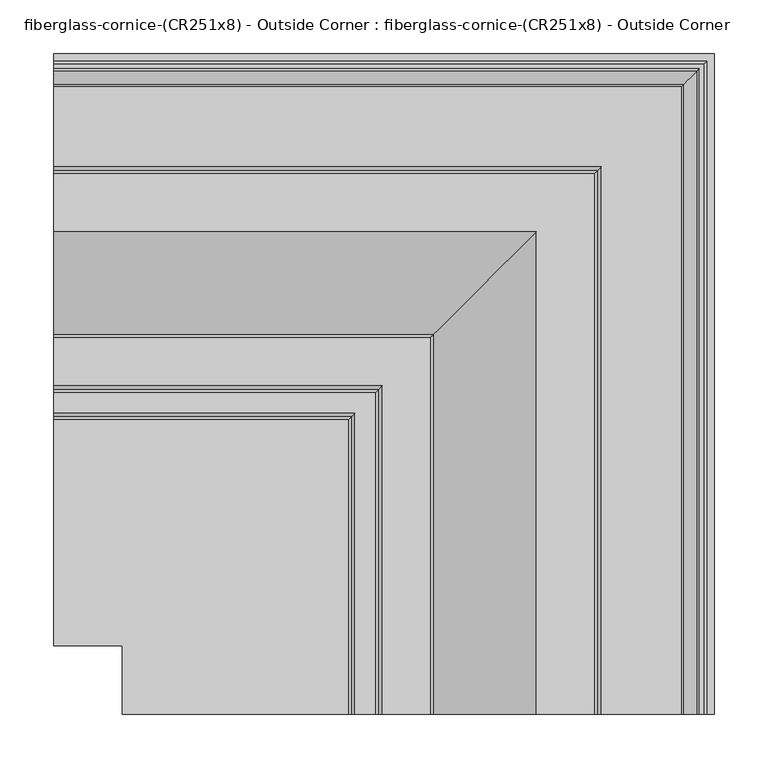
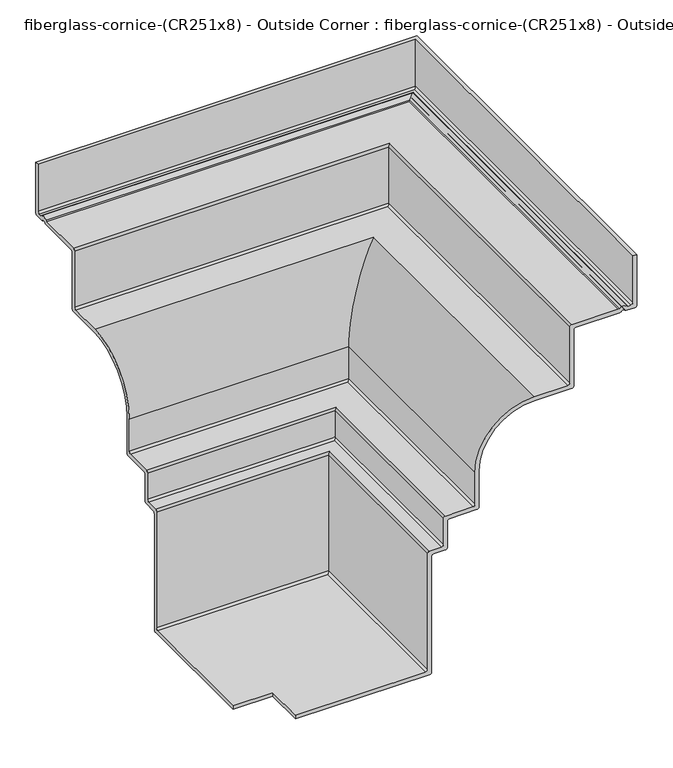
"""IFC4 building model written with IfcOpenShell, lengths in millimetres: furniture geometry, fiberglass-cornice-(CR251x8) - Outside Corner : fiberglass-cornice-(CR251x8) - Outside Corner."""

from ifc_helpers import new_model, si_unit, frame, origin, place, context, project, spatial, polyline, circle_curve, ellipse_curve, source, transform, mapped, element, save
from ifc_brep_helpers import plane_surface, cylinder_surface, revolved_surface, advanced_brep


def fiberglass_cornice_cr251x8_outside_corner_fiberglass_cornice_84d245d6(model_context):
    return source(origin(), model_context, "Body", "AdvancedBrep", [
        advanced_brep(
        [(-196.9488213, 650.875, 330.1999904), (-196.9488213, 650.875, 244.4749904), (-196.9488213, 647.7, 241.2999904), (-196.9488213, 634.1492613, 241.2999904), (-196.9488213, 631.3996306, 242.8874904), (-196.9488213, 625.9003693, 242.8874904), (-196.9488213, 623.1507387, 241.2999904), (-196.9488213, 552.45, 241.2999904), (-196.9488213, 549.275, 238.1249904), (-196.9488213, 549.275, 142.8749904), (-196.9488213, 546.1, 139.6999904), (-196.9488213, 485.775, 139.6999904), (-196.9488213, 396.875, 50.7999904), (-196.9488213, 396.875, -9.5250096), (-196.9488213, 393.7, -12.7000096), (-196.9488213, 349.25, -12.7000096), (-196.9488213, 346.075, -15.8750096), (-196.9488213, 346.075, -60.3250096), (-196.9488213, 342.9, -63.5000096), (-196.9488213, 323.85, -63.5000096), (-196.9488213, 320.675, -66.6750096), (-196.9488213, 320.675, -263.5250096), (-196.9488213, 317.5, -266.7000096), (-196.9488213, 101.6, -266.7000096), (-196.9488213, 101.6, -260.3500096), (-196.9488213, 311.15, -260.3500096), (-196.9488213, 314.325, -257.1750096), (-196.9488213, 314.325, -60.3250096), (-196.9488213, 317.5, -57.1500096), (-196.9488213, 336.55, -57.1500096), (-196.9488213, 339.725, -53.9750096), (-196.9488213, 339.725, -9.5250096), (-196.9488213, 342.9, -6.3500096), (-196.9488213, 387.35, -6.3500096), (-196.9488213, 390.525, -3.1750096), (-196.9488213, 390.525, 50.7999904), (-196.9488213, 485.775, 146.0499904), (-196.9488213, 539.75, 146.0499904), (-196.9488213, 542.925, 149.2249904), (-196.9488213, 542.925, 244.4749904), (-196.9488213, 546.1, 247.6499904), (-196.9488213, 620.2497396, 247.6499904), (-196.9488213, 622.3498047, 248.4437404), (-196.9488213, 634.9501953, 248.4437404), (-196.9488213, 637.0502604, 247.6499904), (-196.9488213, 641.35, 247.6499904), (-196.9488213, 644.525, 250.8249904), (-196.9488213, 644.525, 330.1999904), (415.9253974, 38.0007813, 330.1999904), (409.5753974, 38.0007813, 330.1999904), (409.5753974, 38.0007813, 250.8249904), (406.4003974, 38.0007813, 247.6499904), (402.1006578, 38.0007813, 247.6499904), (400.0005927, 38.0007813, 248.4437404), (387.4002021, 38.0007813, 248.4437404), (385.300137, 38.0007813, 247.6499904), (311.1503974, 38.0007813, 247.6499904), (307.9753974, 38.0007813, 244.4749904), (307.9753974, 38.0007813, 149.2249904), (304.8003974, 38.0007813, 146.0499904), (250.8253974, 38.0007813, 146.0499904), (155.5753974, 38.0007813, 50.7999904), (155.5753974, 38.0007813, -3.1750096), (152.4003974, 38.0007813, -6.3500096), (107.9503974, 38.0007813, -6.3500096), (104.7753974, 38.0007813, -9.5250096), (104.7753974, 38.0007813, -53.9750096), (101.6003974, 38.0007813, -57.1500096), (82.5503974, 38.0007813, -57.1500096), (79.3753974, 38.0007813, -60.3250096), (79.3753974, 38.0007813, -257.1750096), (76.2003974, 38.0007813, -260.3500096), (-133.3496026, 38.0007813, -260.3500096), (-133.3496026, 38.0007813, -266.7000096), (82.5503974, 38.0007813, -266.7000096), (85.7253974, 38.0007813, -263.5250096), (85.7253974, 38.0007813, -66.6750096), (88.9003974, 38.0007813, -63.5000096), (107.9503974, 38.0007813, -63.5000096), (111.1253974, 38.0007813, -60.3250096), (111.1253974, 38.0007813, -15.8750096), (114.3003974, 38.0007813, -12.7000096), (158.7503974, 38.0007813, -12.7000096), (161.9253974, 38.0007813, -9.5250096), (161.9253974, 38.0007813, 50.7999904), (250.8253974, 38.0007813, 139.6999904), (311.1503974, 38.0007813, 139.6999904), (314.3253974, 38.0007813, 142.8749904), (314.3253974, 38.0007813, 238.1249904), (317.5003974, 38.0007813, 241.2999904), (388.2011361, 38.0007813, 241.2999904), (390.9507667, 38.0007813, 242.8874904), (396.450028, 38.0007813, 242.8874904), (399.1996587, 38.0007813, 241.2999904), (412.7503974, 38.0007813, 241.2999904), (415.9253974, 38.0007813, 244.4749904), (415.9253974, 650.875, 330.1999904), (415.9253974, 650.875, 244.4749904), (412.7503974, 647.7, 241.2999904), (399.1996587, 634.1492613, 241.2999904), (396.450028, 631.3996306, 242.8874904), (390.9507667, 625.9003693, 242.8874904), (388.2011361, 623.1507387, 241.2999904), (317.5003974, 552.45, 241.2999904), (314.3253974, 549.275, 238.1249904), (314.3253974, 549.275, 142.8749904), (311.1503974, 546.1, 139.6999904), (250.8253974, 485.775, 139.6999904), (161.9253974, 396.875, 50.7999904), (161.9253974, 396.875, -9.5250096), (158.7503974, 393.7, -12.7000096), (114.3003974, 349.25, -12.7000096), (111.1253974, 346.075, -15.8750096), (111.1253974, 346.075, -60.3250096), (107.9503974, 342.9, -63.5000096), (88.9003974, 323.85, -63.5000096), (85.7253974, 320.675, -66.6750096), (85.7253974, 320.675, -263.5250096), (82.5503974, 317.5, -266.7000096), (-133.3496026, 101.6, -266.7000096), (-133.3496026, 101.6, -260.3500096), (76.2003974, 311.15, -260.3500096), (79.3753974, 314.325, -257.1750096), (79.3753974, 314.325, -60.3250096), (82.5503974, 317.5, -57.1500096), (101.6003974, 336.55, -57.1500096), (104.7753974, 339.725, -53.9750096), (104.7753974, 339.725, -9.5250096), (107.9503974, 342.9, -6.3500096), (152.4003974, 387.35, -6.3500096), (155.5753974, 390.525, -3.1750096), (155.5753974, 390.525, 50.7999904), (250.8253974, 485.775, 146.0499904), (304.8003974, 539.75, 146.0499904), (307.9753974, 542.925, 149.2249904), (307.9753974, 542.925, 244.4749904), (311.1503974, 546.1, 247.6499904), (385.300137, 620.2497396, 247.6499904), (387.4002021, 622.3498047, 248.4437404), (400.0005927, 634.9501953, 248.4437404), (402.1006578, 637.0502604, 247.6499904), (406.4003974, 641.35, 247.6499904), (409.5753974, 644.525, 250.8249904), (409.5753974, 644.525, 330.1999904)],
        [
            (0, 1),
            (1, 2, circle_curve(frame((-196.9488213, 647.7, 244.4749904), z_axis=(-1.0, 0.0, 0.0), x_axis=(0.0, 1.0, 0.0)), 3.175)),
            (2, 3),
            (3, 4, circle_curve(frame((-196.9488213, 634.1492613, 244.4749904), z_axis=(-1.0, 0.0, 0.0), x_axis=(0.0, 1.0, 0.0)), 3.175)),
            (4, 5, circle_curve(frame((-196.9488213, 628.65, 241.2999904), z_axis=(1.0, 0.0, 0.0), x_axis=(0.0, 1.0, 0.0)), 3.175)),
            (5, 6, circle_curve(frame((-196.9488213, 623.1507387, 244.4749904), z_axis=(-1.0, 0.0, 0.0), x_axis=(0.0, 1.0, 0.0)), 3.175)),
            (6, 7),
            (7, 8, circle_curve(frame((-196.9488213, 552.45, 238.1249904), z_axis=(1.0, 0.0, 0.0), x_axis=(0.0, 1.0, 0.0)), 3.175)),
            (8, 9),
            (9, 10, circle_curve(frame((-196.9488213, 546.1, 142.8749904), z_axis=(-1.0, 0.0, 0.0), x_axis=(0.0, 1.0, 0.0)), 3.175)),
            (10, 11),
            (11, 12, circle_curve(frame((-196.9488213, 485.775, 50.7999904), z_axis=(1.0, 0.0, 0.0), x_axis=(0.0, 1.0, 0.0)), 88.9)),
            (12, 13),
            (13, 14, circle_curve(frame((-196.9488213, 393.7, -9.5250096), z_axis=(-1.0, 0.0, 0.0), x_axis=(0.0, 1.0, 0.0)), 3.175)),
            (14, 15),
            (15, 16, circle_curve(frame((-196.9488213, 349.25, -15.8750096), z_axis=(1.0, 0.0, 0.0), x_axis=(0.0, 1.0, 0.0)), 3.175)),
            (16, 17),
            (17, 18, circle_curve(frame((-196.9488213, 342.9, -60.3250096), z_axis=(-1.0, 0.0, 0.0), x_axis=(0.0, 1.0, 0.0)), 3.175)),
            (18, 19),
            (19, 20, circle_curve(frame((-196.9488213, 323.85, -66.6750096), z_axis=(1.0, 0.0, 0.0), x_axis=(0.0, 1.0, 0.0)), 3.175)),
            (20, 21),
            (21, 22, circle_curve(frame((-196.9488213, 317.5, -263.5250096), z_axis=(-1.0, 0.0, 0.0), x_axis=(0.0, 1.0, 0.0)), 3.175)),
            (22, 23),
            (23, 24),
            (24, 25),
            (25, 26, circle_curve(frame((-196.9488213, 311.15, -257.1750096), z_axis=(1.0, 0.0, 0.0), x_axis=(0.0, 1.0, 0.0)), 3.175)),
            (26, 27),
            (27, 28, circle_curve(frame((-196.9488213, 317.5, -60.3250096), z_axis=(-1.0, 0.0, 0.0), x_axis=(0.0, 1.0, 0.0)), 3.175)),
            (28, 29),
            (29, 30, circle_curve(frame((-196.9488213, 336.55, -53.9750096), z_axis=(1.0, 0.0, 0.0), x_axis=(0.0, 1.0, 0.0)), 3.175)),
            (30, 31),
            (31, 32, circle_curve(frame((-196.9488213, 342.9, -9.5250096), z_axis=(-1.0, 0.0, 0.0), x_axis=(0.0, 1.0, 0.0)), 3.175)),
            (32, 33),
            (33, 34, circle_curve(frame((-196.9488213, 387.35, -3.1750096), z_axis=(1.0, 0.0, 0.0), x_axis=(0.0, 1.0, 0.0)), 3.175)),
            (34, 35),
            (35, 36, circle_curve(frame((-196.9488213, 485.775, 50.7999904), z_axis=(-1.0, 0.0, 0.0), x_axis=(0.0, 1.0, 0.0)), 95.25)),
            (36, 37),
            (37, 38, circle_curve(frame((-196.9488213, 539.75, 149.2249904), z_axis=(1.0, 0.0, 0.0), x_axis=(0.0, 1.0, 0.0)), 3.175)),
            (38, 39),
            (39, 40, circle_curve(frame((-196.9488213, 546.1, 244.4749904), z_axis=(-1.0, 0.0, 0.0), x_axis=(0.0, 1.0, 0.0)), 3.175)),
            (40, 41),
            (41, 42, circle_curve(frame((-196.9488213, 620.2497396, 250.8249904), z_axis=(1.0, 0.0, 0.0), x_axis=(0.0, 1.0, 0.0)), 3.175)),
            (42, 43, circle_curve(frame((-196.9488213, 628.65, 241.2999904), z_axis=(-1.0, 0.0, 0.0), x_axis=(0.0, 1.0, 0.0)), 9.525)),
            (43, 44, circle_curve(frame((-196.9488213, 637.0502604, 250.8249904), z_axis=(1.0, 0.0, 0.0), x_axis=(0.0, 1.0, 0.0)), 3.175)),
            (44, 45),
            (45, 46, circle_curve(frame((-196.9488213, 641.35, 250.8249904), z_axis=(1.0, 0.0, 0.0), x_axis=(0.0, 1.0, 0.0)), 3.175)),
            (46, 47),
            (47, 0),
            (48, 49),
            (49, 50),
            (50, 51, circle_curve(frame((406.4003974, 38.0007813, 250.8249904), z_axis=(0.0, 1.0, 0.0), x_axis=(1.0, 0.0, 0.0)), 3.175)),
            (51, 52),
            (52, 53, circle_curve(frame((402.1006578, 38.0007813, 250.8249904), z_axis=(0.0, 1.0, 0.0), x_axis=(1.0, 0.0, 0.0)), 3.175)),
            (53, 54, circle_curve(frame((393.7003974, 38.0007813, 241.2999904), z_axis=(0.0, -1.0, 0.0), x_axis=(1.0, 0.0, 0.0)), 9.525)),
            (54, 55, circle_curve(frame((385.300137, 38.0007813, 250.8249904), z_axis=(0.0, 1.0, 0.0), x_axis=(1.0, 0.0, 0.0)), 3.175)),
            (55, 56),
            (56, 57, circle_curve(frame((311.1503974, 38.0007813, 244.4749904), z_axis=(0.0, -1.0, 0.0), x_axis=(1.0, 0.0, 0.0)), 3.175)),
            (57, 58),
            (58, 59, circle_curve(frame((304.8003974, 38.0007813, 149.2249904), z_axis=(0.0, 1.0, 0.0), x_axis=(1.0, 0.0, 0.0)), 3.175)),
            (59, 60),
            (60, 61, circle_curve(frame((250.8253974, 38.0007813, 50.7999904), z_axis=(0.0, -1.0, 0.0), x_axis=(1.0, 0.0, 0.0)), 95.25)),
            (61, 62),
            (62, 63, circle_curve(frame((152.4003974, 38.0007813, -3.1750096), z_axis=(0.0, 1.0, 0.0), x_axis=(1.0, 0.0, 0.0)), 3.175)),
            (63, 64),
            (64, 65, circle_curve(frame((107.9503974, 38.0007813, -9.5250096), z_axis=(0.0, -1.0, 0.0), x_axis=(1.0, 0.0, 0.0)), 3.175)),
            (65, 66),
            (66, 67, circle_curve(frame((101.6003974, 38.0007813, -53.9750096), z_axis=(0.0, 1.0, 0.0), x_axis=(1.0, 0.0, 0.0)), 3.175)),
            (67, 68),
            (68, 69, circle_curve(frame((82.5503974, 38.0007813, -60.3250096), z_axis=(0.0, -1.0, 0.0), x_axis=(1.0, 0.0, 0.0)), 3.175)),
            (69, 70),
            (70, 71, circle_curve(frame((76.2003974, 38.0007813, -257.1750096), z_axis=(0.0, 1.0, 0.0), x_axis=(1.0, 0.0, 0.0)), 3.175)),
            (71, 72),
            (72, 73),
            (73, 74),
            (74, 75, circle_curve(frame((82.5503974, 38.0007813, -263.5250096), z_axis=(0.0, -1.0, 0.0), x_axis=(1.0, 0.0, 0.0)), 3.175)),
            (75, 76),
            (76, 77, circle_curve(frame((88.9003974, 38.0007813, -66.6750096), z_axis=(0.0, 1.0, 0.0), x_axis=(1.0, 0.0, 0.0)), 3.175)),
            (77, 78),
            (78, 79, circle_curve(frame((107.9503974, 38.0007813, -60.3250096), z_axis=(0.0, -1.0, 0.0), x_axis=(1.0, 0.0, 0.0)), 3.175)),
            (79, 80),
            (80, 81, circle_curve(frame((114.3003974, 38.0007813, -15.8750096), z_axis=(0.0, 1.0, 0.0), x_axis=(1.0, 0.0, 0.0)), 3.175)),
            (81, 82),
            (82, 83, circle_curve(frame((158.7503974, 38.0007813, -9.5250096), z_axis=(0.0, -1.0, 0.0), x_axis=(1.0, 0.0, 0.0)), 3.175)),
            (83, 84),
            (84, 85, circle_curve(frame((250.8253974, 38.0007813, 50.7999904), z_axis=(0.0, 1.0, 0.0), x_axis=(1.0, 0.0, 0.0)), 88.9)),
            (85, 86),
            (86, 87, circle_curve(frame((311.1503974, 38.0007813, 142.8749904), z_axis=(0.0, -1.0, 0.0), x_axis=(1.0, 0.0, 0.0)), 3.175)),
            (87, 88),
            (88, 89, circle_curve(frame((317.5003974, 38.0007813, 238.1249904), z_axis=(0.0, 1.0, 0.0), x_axis=(1.0, 0.0, 0.0)), 3.175)),
            (89, 90),
            (90, 91, circle_curve(frame((388.2011361, 38.0007813, 244.4749904), z_axis=(0.0, -1.0, 0.0), x_axis=(1.0, 0.0, 0.0)), 3.175)),
            (91, 92, circle_curve(frame((393.7003974, 38.0007813, 241.2999904), z_axis=(0.0, 1.0, 0.0), x_axis=(1.0, 0.0, 0.0)), 3.175)),
            (92, 93, circle_curve(frame((399.1996587, 38.0007813, 244.4749904), z_axis=(0.0, -1.0, 0.0), x_axis=(1.0, 0.0, 0.0)), 3.175)),
            (93, 94),
            (94, 95, circle_curve(frame((412.7503974, 38.0007813, 244.4749904), z_axis=(0.0, -1.0, 0.0), x_axis=(1.0, 0.0, 0.0)), 3.175)),
            (95, 48),
            (0, 96),
            (96, 97),
            (97, 1),
            (97, 98, ellipse_curve(frame((412.7503974, 647.7, 244.4749904), z_axis=(-0.7071067811865563, 0.7071067811865387, 0.0), x_axis=(-0.7071067811865387, -0.7071067811865565, 0.0)), 4.4901281, 3.175)),
            (98, 2),
            (98, 94),
            (93, 99),
            (99, 3),
            (99, 100, ellipse_curve(frame((399.1996587, 634.1492613, 244.4749904), z_axis=(-0.7071067811865563, 0.7071067811865387, 0.0), x_axis=(-0.7071067811865387, -0.7071067811865565, 0.0)), 4.4901281, 3.175)),
            (100, 4),
            (100, 101, ellipse_curve(frame((393.7003974, 628.65, 241.2999904), z_axis=(0.7071067811865563, -0.7071067811865387, 0.0), x_axis=(0.7071067811865387, 0.7071067811865565, 0.0)), 4.4901281, 3.175)),
            (101, 5),
            (101, 102, ellipse_curve(frame((388.2011361, 623.1507387, 244.4749904), z_axis=(-0.7071067811865563, 0.7071067811865387, 0.0), x_axis=(-0.7071067811865387, -0.7071067811865565, 0.0)), 4.4901281, 3.175)),
            (102, 6),
            (102, 90),
            (89, 103),
            (103, 7),
            (103, 104, ellipse_curve(frame((317.5003974, 552.45, 238.1249904), z_axis=(0.7071067811865563, -0.7071067811865387, 0.0), x_axis=(0.7071067811865387, 0.7071067811865565, 0.0)), 4.4901281, 3.175)),
            (104, 8),
            (104, 105),
            (105, 9),
            (105, 106, ellipse_curve(frame((311.1503974, 546.1, 142.8749904), z_axis=(-0.7071067811865563, 0.7071067811865387, 0.0), x_axis=(-0.7071067811865387, -0.7071067811865565, 0.0)), 4.4901281, 3.175)),
            (106, 10),
            (106, 86),
            (85, 107),
            (107, 11),
            (107, 108, ellipse_curve(frame((250.8253974, 485.775, 50.7999904), z_axis=(0.7071067811865563, -0.7071067811865387, 0.0), x_axis=(0.7071067811865387, 0.7071067811865565, 0.0)), 125.7235857, 88.9)),
            (108, 12),
            (108, 109),
            (109, 13),
            (109, 110, ellipse_curve(frame((158.7503974, 393.7, -9.5250096), z_axis=(-0.7071067811865563, 0.7071067811865387, 0.0), x_axis=(-0.7071067811865387, -0.7071067811865565, 0.0)), 4.4901281, 3.175)),
            (110, 14),
            (110, 82),
            (81, 111),
            (111, 15),
            (111, 112, ellipse_curve(frame((114.3003974, 349.25, -15.8750096), z_axis=(0.7071067811865563, -0.7071067811865387, 0.0), x_axis=(0.7071067811865387, 0.7071067811865565, 0.0)), 4.4901281, 3.175)),
            (112, 16),
            (112, 113),
            (113, 17),
            (113, 114, ellipse_curve(frame((107.9503974, 342.9, -60.3250096), z_axis=(-0.7071067811865563, 0.7071067811865387, 0.0), x_axis=(-0.7071067811865387, -0.7071067811865565, 0.0)), 4.4901281, 3.175)),
            (114, 18),
            (114, 78),
            (77, 115),
            (115, 19),
            (115, 116, ellipse_curve(frame((88.9003974, 323.85, -66.6750096), z_axis=(0.7071067811865563, -0.7071067811865387, 0.0), x_axis=(0.7071067811865387, 0.7071067811865565, 0.0)), 4.4901281, 3.175)),
            (116, 20),
            (116, 117),
            (117, 21),
            (117, 118, ellipse_curve(frame((82.5503974, 317.5, -263.5250096), z_axis=(-0.7071067811865563, 0.7071067811865387, 0.0), x_axis=(-0.7071067811865387, -0.7071067811865565, 0.0)), 4.4901281, 3.175)),
            (118, 22),
            (118, 74),
            (73, 119),
            (119, 23),
            (119, 120),
            (120, 24),
            (120, 72),
            (71, 121),
            (121, 25),
            (121, 122, ellipse_curve(frame((76.2003974, 311.15, -257.1750096), z_axis=(0.7071067811865563, -0.7071067811865387, 0.0), x_axis=(0.7071067811865387, 0.7071067811865565, 0.0)), 4.4901281, 3.175)),
            (122, 26),
            (122, 123),
            (123, 27),
            (123, 124, ellipse_curve(frame((82.5503974, 317.5, -60.3250096), z_axis=(-0.7071067811865563, 0.7071067811865387, 0.0), x_axis=(-0.7071067811865387, -0.7071067811865565, 0.0)), 4.4901281, 3.175)),
            (124, 28),
            (124, 68),
            (67, 125),
            (125, 29),
            (125, 126, ellipse_curve(frame((101.6003974, 336.55, -53.9750096), z_axis=(0.7071067811865563, -0.7071067811865387, 0.0), x_axis=(0.7071067811865387, 0.7071067811865565, 0.0)), 4.4901281, 3.175)),
            (126, 30),
            (126, 127),
            (127, 31),
            (127, 128, ellipse_curve(frame((107.9503974, 342.9, -9.5250096), z_axis=(-0.7071067811865563, 0.7071067811865387, 0.0), x_axis=(-0.7071067811865387, -0.7071067811865565, 0.0)), 4.4901281, 3.175)),
            (128, 32),
            (128, 64),
            (63, 129),
            (129, 33),
            (129, 130, ellipse_curve(frame((152.4003974, 387.35, -3.1750096), z_axis=(0.7071067811865563, -0.7071067811865387, 0.0), x_axis=(0.7071067811865387, 0.7071067811865565, 0.0)), 4.4901281, 3.175)),
            (130, 34),
            (130, 131),
            (131, 35),
            (131, 132, ellipse_curve(frame((250.8253974, 485.775, 50.7999904), z_axis=(-0.7071067811865563, 0.7071067811865387, 0.0), x_axis=(-0.7071067811865387, -0.7071067811865565, 0.0)), 134.7038418, 95.25)),
            (132, 36),
            (132, 60),
            (59, 133),
            (133, 37),
            (133, 134, ellipse_curve(frame((304.8003974, 539.75, 149.2249904), z_axis=(0.7071067811865563, -0.7071067811865387, 0.0), x_axis=(0.7071067811865387, 0.7071067811865565, 0.0)), 4.4901281, 3.175)),
            (134, 38),
            (134, 135),
            (135, 39),
            (135, 136, ellipse_curve(frame((311.1503974, 546.1, 244.4749904), z_axis=(-0.7071067811865563, 0.7071067811865387, 0.0), x_axis=(-0.7071067811865387, -0.7071067811865565, 0.0)), 4.4901281, 3.175)),
            (136, 40),
            (136, 56),
            (55, 137),
            (137, 41),
            (137, 138, ellipse_curve(frame((385.300137, 620.2497396, 250.8249904), z_axis=(0.7071067811865563, -0.7071067811865387, 0.0), x_axis=(0.7071067811865387, 0.7071067811865565, 0.0)), 4.4901281, 3.175)),
            (138, 42),
            (138, 139, ellipse_curve(frame((393.7003974, 628.65, 241.2999904), z_axis=(-0.7071067811865563, 0.7071067811865387, 0.0), x_axis=(-0.7071067811865387, -0.7071067811865565, 0.0)), 13.4703842, 9.525)),
            (139, 43),
            (139, 140, ellipse_curve(frame((402.1006578, 637.0502604, 250.8249904), z_axis=(0.7071067811865563, -0.7071067811865387, 0.0), x_axis=(0.7071067811865387, 0.7071067811865565, 0.0)), 4.4901281, 3.175)),
            (140, 44),
            (140, 52),
            (51, 141),
            (141, 45),
            (141, 142, ellipse_curve(frame((406.4003974, 641.35, 250.8249904), z_axis=(0.7071067811865563, -0.7071067811865387, 0.0), x_axis=(0.7071067811865387, 0.7071067811865565, 0.0)), 4.4901281, 3.175)),
            (142, 46),
            (142, 143),
            (143, 47),
            (143, 49),
            (48, 96),
            (95, 97),
            (92, 100),
            (91, 101),
            (88, 104),
            (87, 105),
            (84, 108),
            (83, 109),
            (80, 112),
            (79, 113),
            (76, 116),
            (75, 117),
            (70, 122),
            (69, 123),
            (66, 126),
            (65, 127),
            (62, 130),
            (61, 131),
            (58, 134),
            (57, 135),
            (54, 138),
            (53, 139),
            (50, 142),
        ],
        [
            plane_surface(frame((-196.9488213, 101.6, 330.1999904), z_axis=(-1.0, 0.0, 0.0), x_axis=(0.0, 0.0, 1.0))),
            plane_surface(frame((-133.3496026, 38.0007813, 330.1999904), z_axis=(0.0, -1.0, 0.0), x_axis=(0.0, 0.0, 1.0))),
            plane_surface(frame((-196.9488213, 650.875, 330.1999904), z_axis=(0.0, 1.0, 0.0), x_axis=(1.0, 0.0, 0.0))),
            cylinder_surface(frame((-196.9488213, 647.7, 244.4749904), z_axis=(-1.0, 0.0, 0.0), x_axis=(0.0, 1.0, 0.0)), 3.175),
            plane_surface(frame((-196.9488213, 647.7, 241.2999904), z_axis=(0.0, 0.0, -1.0), x_axis=(1.0, 0.0, 0.0))),
            cylinder_surface(frame((-196.9488213, 634.1492613, 244.4749904), z_axis=(-1.0, 0.0, 0.0), x_axis=(0.0, 1.0, 0.0)), 3.175),
            revolved_surface(polyline([(396.87539742790625, 631.8249999999999, 241.2999904), (-196.9488213, 631.8249999999999, 241.2999904)]), (-196.9488213, 628.65, 241.2999904), (1.0, 0.0, 0.0)),
            cylinder_surface(frame((-196.9488213, 623.1507387, 244.4749904), z_axis=(-1.0, 0.0, 0.0), x_axis=(0.0, 1.0, 0.0)), 3.175),
            plane_surface(frame((-196.9488213, 623.1507387, 241.2999904), z_axis=(0.0, 0.0, -1.0), x_axis=(1.0, 0.0, 0.0))),
            revolved_surface(polyline([(320.6753974279062, 555.625, 238.1249904), (-196.9488213, 555.625, 238.1249904)]), (-196.9488213, 552.45, 238.1249904), (1.0, 0.0, 0.0)),
            plane_surface(frame((-196.9488213, 549.275, 238.1249904), z_axis=(0.0, 1.0, 0.0), x_axis=(1.0, 0.0, 0.0))),
            cylinder_surface(frame((-196.9488213, 546.1, 142.8749904), z_axis=(-1.0, 0.0, 0.0), x_axis=(0.0, 1.0, 0.0)), 3.175),
            plane_surface(frame((-196.9488213, 546.1, 139.6999904), z_axis=(0.0, 0.0, -1.0), x_axis=(1.0, 0.0, 0.0))),
            revolved_surface(polyline([(339.72539740355694, 574.675, 50.7999904), (-196.9488213, 574.675, 50.7999904)]), (-196.9488213, 485.775, 50.7999904), (1.0, 0.0, 0.0)),
            plane_surface(frame((-196.9488213, 396.875, 50.7999904), z_axis=(0.0, 1.0, 0.0), x_axis=(1.0, 0.0, 0.0))),
            cylinder_surface(frame((-196.9488213, 393.7, -9.5250096), z_axis=(-1.0, 0.0, 0.0), x_axis=(0.0, 1.0, 0.0)), 3.175),
            plane_surface(frame((-196.9488213, 393.7, -12.7000096), z_axis=(0.0, 0.0, -1.0), x_axis=(1.0, 0.0, 0.0))),
            revolved_surface(polyline([(117.47539742790619, 352.425, -15.8750096), (-196.9488213, 352.425, -15.8750096)]), (-196.9488213, 349.25, -15.8750096), (1.0, 0.0, 0.0)),
            plane_surface(frame((-196.9488213, 346.075, -15.8750096), z_axis=(0.0, 1.0, 0.0), x_axis=(1.0, 0.0, 0.0))),
            cylinder_surface(frame((-196.9488213, 342.9, -60.3250096), z_axis=(-1.0, 0.0, 0.0), x_axis=(0.0, 1.0, 0.0)), 3.175),
            plane_surface(frame((-196.9488213, 342.9, -63.5000096), z_axis=(0.0, 0.0, -1.0), x_axis=(1.0, 0.0, 0.0))),
            revolved_surface(polyline([(92.07539742790621, 327.02500000000003, -66.6750096), (-196.9488213, 327.02500000000003, -66.6750096)]), (-196.9488213, 323.85, -66.6750096), (1.0, 0.0, 0.0)),
            plane_surface(frame((-196.9488213, 320.675, -66.6750096), z_axis=(0.0, 1.0, 0.0), x_axis=(1.0, 0.0, 0.0))),
            cylinder_surface(frame((-196.9488213, 317.5, -263.5250096), z_axis=(-1.0, 0.0, 0.0), x_axis=(0.0, 1.0, 0.0)), 3.175),
            plane_surface(frame((-196.9488213, 317.5, -266.7000096), z_axis=(0.0, 0.0, -1.0), x_axis=(1.0, 0.0, 0.0))),
            plane_surface(frame((-196.9488213, 101.6, -266.7000096), z_axis=(0.0, -1.0, 0.0), x_axis=(1.0, 0.0, 0.0))),
            plane_surface(frame((-196.9488213, 101.6, -260.3500096), z_axis=(0.0, 0.0, 1.0), x_axis=(1.0, 0.0, 0.0))),
            revolved_surface(polyline([(79.37539742790622, 314.325, -257.1750096), (-196.9488213, 314.325, -257.1750096)]), (-196.9488213, 311.15, -257.1750096), (1.0, 0.0, 0.0)),
            plane_surface(frame((-196.9488213, 314.325, -257.1750096), z_axis=(0.0, -1.0, 0.0), x_axis=(1.0, 0.0, 0.0))),
            cylinder_surface(frame((-196.9488213, 317.5, -60.3250096), z_axis=(-1.0, 0.0, 0.0), x_axis=(0.0, 1.0, 0.0)), 3.175),
            plane_surface(frame((-196.9488213, 317.5, -57.1500096), z_axis=(0.0, 0.0, 1.0), x_axis=(1.0, 0.0, 0.0))),
            revolved_surface(polyline([(104.7753974279062, 339.725, -53.9750096), (-196.9488213, 339.725, -53.9750096)]), (-196.9488213, 336.55, -53.9750096), (1.0, 0.0, 0.0)),
            plane_surface(frame((-196.9488213, 339.725, -53.9750096), z_axis=(0.0, -1.0, 0.0), x_axis=(1.0, 0.0, 0.0))),
            cylinder_surface(frame((-196.9488213, 342.9, -9.5250096), z_axis=(-1.0, 0.0, 0.0), x_axis=(0.0, 1.0, 0.0)), 3.175),
            plane_surface(frame((-196.9488213, 342.9, -6.3500096), z_axis=(0.0, 0.0, 1.0), x_axis=(1.0, 0.0, 0.0))),
            revolved_surface(polyline([(155.5753974279062, 390.52500000000003, -3.1750096), (-196.9488213, 390.52500000000003, -3.1750096)]), (-196.9488213, 387.35, -3.1750096), (1.0, 0.0, 0.0)),
            plane_surface(frame((-196.9488213, 390.525, -3.1750096), z_axis=(0.0, -1.0, 0.0), x_axis=(1.0, 0.0, 0.0))),
            cylinder_surface(frame((-196.9488213, 485.775, 50.7999904), z_axis=(-1.0, 0.0, 0.0), x_axis=(0.0, 1.0, 0.0)), 95.25),
            plane_surface(frame((-196.9488213, 485.775, 146.0499904), z_axis=(0.0, 0.0, 1.0), x_axis=(1.0, 0.0, 0.0))),
            revolved_surface(polyline([(307.9753974279063, 542.925, 149.2249904), (-196.9488213, 542.925, 149.2249904)]), (-196.9488213, 539.75, 149.2249904), (1.0, 0.0, 0.0)),
            plane_surface(frame((-196.9488213, 542.925, 149.2249904), z_axis=(0.0, -1.0, 0.0), x_axis=(1.0, 0.0, 0.0))),
            cylinder_surface(frame((-196.9488213, 546.1, 244.4749904), z_axis=(-1.0, 0.0, 0.0), x_axis=(0.0, 1.0, 0.0)), 3.175),
            plane_surface(frame((-196.9488213, 546.1, 247.6499904), z_axis=(0.0, 0.0, 1.0), x_axis=(1.0, 0.0, 0.0))),
            revolved_surface(polyline([(388.47513702790627, 623.4247396, 250.8249904), (-196.9488213, 623.4247396, 250.8249904)]), (-196.9488213, 620.2497396, 250.8249904), (1.0, 0.0, 0.0)),
            cylinder_surface(frame((-196.9488213, 628.65, 241.2999904), z_axis=(-1.0, 0.0, 0.0), x_axis=(0.0, 1.0, 0.0)), 9.525),
            revolved_surface(polyline([(405.27565782790623, 640.2252603999999, 250.8249904), (-196.9488213, 640.2252603999999, 250.8249904)]), (-196.9488213, 637.0502604, 250.8249904), (1.0, 0.0, 0.0)),
            plane_surface(frame((-196.9488213, 637.0502604, 247.6499904), z_axis=(0.0, 0.0, 1.0), x_axis=(1.0, 0.0, 0.0))),
            revolved_surface(polyline([(409.5753974279062, 644.525, 250.8249904), (-196.9488213, 644.525, 250.8249904)]), (-196.9488213, 641.35, 250.8249904), (1.0, 0.0, 0.0)),
            plane_surface(frame((-196.9488213, 644.525, 250.8249904), z_axis=(0.0, -1.0, 0.0), x_axis=(1.0, 0.0, 0.0))),
            plane_surface(frame((-196.9488213, 644.525, 330.1999904), z_axis=(0.0, 0.0, 1.0), x_axis=(1.0, 0.0, 0.0))),
            plane_surface(frame((415.9253974, 650.875, 330.1999904), z_axis=(1.0, 0.0, 0.0), x_axis=(0.0, -1.0, 0.0))),
            cylinder_surface(frame((412.7503974, 101.6, 244.4749904), z_axis=(0.0, 1.0, 0.0), x_axis=(1.0, 0.0, 0.0)), 3.175),
            cylinder_surface(frame((399.1996587, 101.6, 244.4749904), z_axis=(0.0, 1.0, 0.0), x_axis=(1.0, 0.0, 0.0)), 3.175),
            revolved_surface(polyline([(396.8753974, 38.0007813, 241.2999904), (396.8753974, 631.8250000279063, 241.2999904)]), (393.7003974, 101.6, 241.2999904), (0.0, -1.0, 0.0)),
            cylinder_surface(frame((388.2011361, 101.6, 244.4749904), z_axis=(0.0, 1.0, 0.0), x_axis=(1.0, 0.0, 0.0)), 3.175),
            revolved_surface(polyline([(320.6753974, 38.0007813, 238.1249904), (320.6753974, 555.6250000279064, 238.1249904)]), (317.5003974, 101.6, 238.1249904), (0.0, -1.0, 0.0)),
            plane_surface(frame((314.3253974, 549.275, 238.1249904), z_axis=(1.0, 0.0, 0.0), x_axis=(0.0, -1.0, 0.0))),
            cylinder_surface(frame((311.1503974, 101.6, 142.8749904), z_axis=(0.0, 1.0, 0.0), x_axis=(1.0, 0.0, 0.0)), 3.175),
            revolved_surface(polyline([(339.7253974, 38.0007813, 50.7999904), (339.7253974, 574.6750000035591, 50.7999904)]), (250.8253974, 101.6, 50.7999904), (0.0, -1.0, 0.0)),
            plane_surface(frame((161.9253974, 396.875, 50.7999904), z_axis=(1.0, 0.0, 0.0), x_axis=(0.0, -1.0, 0.0))),
            cylinder_surface(frame((158.7503974, 101.6, -9.5250096), z_axis=(0.0, 1.0, 0.0), x_axis=(1.0, 0.0, 0.0)), 3.175),
            revolved_surface(polyline([(117.47539739999999, 38.0007813, -15.8750096), (117.47539739999999, 352.4250000279063, -15.8750096)]), (114.3003974, 101.6, -15.8750096), (0.0, -1.0, 0.0)),
            plane_surface(frame((111.1253974, 346.075, -15.8750096), z_axis=(1.0, 0.0, 0.0), x_axis=(0.0, -1.0, 0.0))),
            cylinder_surface(frame((107.9503974, 101.6, -60.3250096), z_axis=(0.0, 1.0, 0.0), x_axis=(1.0, 0.0, 0.0)), 3.175),
            revolved_surface(polyline([(92.0753974, 38.0007813, -66.6750096), (92.0753974, 327.02500002790634, -66.6750096)]), (88.9003974, 101.6, -66.6750096), (0.0, -1.0, 0.0)),
            plane_surface(frame((85.7253974, 320.675, -66.6750096), z_axis=(1.0, 0.0, 0.0), x_axis=(0.0, -1.0, 0.0))),
            cylinder_surface(frame((82.5503974, 101.6, -263.5250096), z_axis=(0.0, 1.0, 0.0), x_axis=(1.0, 0.0, 0.0)), 3.175),
            plane_surface(frame((-133.3496026, 101.6, -266.7000096), z_axis=(-1.0, 0.0, 0.0), x_axis=(0.0, -1.0, 0.0))),
            revolved_surface(polyline([(79.3753974, 38.0007813, -257.1750096), (79.3753974, 314.3250000279063, -257.1750096)]), (76.2003974, 101.6, -257.1750096), (0.0, -1.0, 0.0)),
            plane_surface(frame((79.3753974, 314.325, -257.1750096), z_axis=(-1.0, 0.0, 0.0), x_axis=(0.0, -1.0, 0.0))),
            cylinder_surface(frame((82.5503974, 101.6, -60.3250096), z_axis=(0.0, 1.0, 0.0), x_axis=(1.0, 0.0, 0.0)), 3.175),
            revolved_surface(polyline([(104.7753974, 38.0007813, -53.9750096), (104.7753974, 339.72500002790633, -53.9750096)]), (101.6003974, 101.6, -53.9750096), (0.0, -1.0, 0.0)),
            plane_surface(frame((104.7753974, 339.725, -53.9750096), z_axis=(-1.0, 0.0, 0.0), x_axis=(0.0, -1.0, 0.0))),
            cylinder_surface(frame((107.9503974, 101.6, -9.5250096), z_axis=(0.0, 1.0, 0.0), x_axis=(1.0, 0.0, 0.0)), 3.175),
            revolved_surface(polyline([(155.5753974, 38.0007813, -3.1750096), (155.5753974, 390.52500002790634, -3.1750096)]), (152.4003974, 101.6, -3.1750096), (0.0, -1.0, 0.0)),
            plane_surface(frame((155.5753974, 390.525, -3.1750096), z_axis=(-1.0, 0.0, 0.0), x_axis=(0.0, -1.0, 0.0))),
            cylinder_surface(frame((250.8253974, 101.6, 50.7999904), z_axis=(0.0, 1.0, 0.0), x_axis=(1.0, 0.0, 0.0)), 95.25),
            revolved_surface(polyline([(307.9753974, 38.0007813, 149.2249904), (307.9753974, 542.9250000279063, 149.2249904)]), (304.8003974, 101.6, 149.2249904), (0.0, -1.0, 0.0)),
            plane_surface(frame((307.9753974, 542.925, 149.2249904), z_axis=(-1.0, 0.0, 0.0), x_axis=(0.0, -1.0, 0.0))),
            cylinder_surface(frame((311.1503974, 101.6, 244.4749904), z_axis=(0.0, 1.0, 0.0), x_axis=(1.0, 0.0, 0.0)), 3.175),
            revolved_surface(polyline([(388.475137, 38.0007813, 250.8249904), (388.475137, 623.4247396279063, 250.8249904)]), (385.300137, 101.6, 250.8249904), (0.0, -1.0, 0.0)),
            cylinder_surface(frame((393.7003974, 101.6, 241.2999904), z_axis=(0.0, 1.0, 0.0), x_axis=(1.0, 0.0, 0.0)), 9.525),
            revolved_surface(polyline([(405.27565780000003, 38.0007813, 250.8249904), (405.27565780000003, 640.2252604279063, 250.8249904)]), (402.1006578, 101.6, 250.8249904), (0.0, -1.0, 0.0)),
            revolved_surface(polyline([(409.5753974, 38.0007813, 250.8249904), (409.5753974, 644.5250000279063, 250.8249904)]), (406.4003974, 101.6, 250.8249904), (0.0, -1.0, 0.0)),
            plane_surface(frame((409.5753974, 644.525, 250.8249904), z_axis=(-1.0, 0.0, 0.0), x_axis=(0.0, -1.0, 0.0))),
        ],
        [
            (0, [[1, 2, 3, 4, 5, 6, 7, 8, 9, 10, 11, 12, 13, 14, 15, 16, 17, 18, 19, 20, 21, 22, 23, 24, 25, 26, 27, 28, 29, 30, 31, 32, 33, 34, 35, 36, 37, 38, 39, 40, 41, 42, 43, 44, 45, 46, 47, 48]]),
            (1, [[49, 50, 51, 52, 53, 54, 55, 56, 57, 58, 59, 60, 61, 62, 63, 64, 65, 66, 67, 68, 69, 70, 71, 72, 73, 74, 75, 76, 77, 78, 79, 80, 81, 82, 83, 84, 85, 86, 87, 88, 89, 90, 91, 92, 93, 94, 95, 96]]),
            (2, [[-1, 97, 98, 99]]),
            (3, [[-2, -99, 100, 101]]),
            (4, [[-3, -101, 102, -94, 103, 104]]),
            (5, [[-4, -104, 105, 106]]),
            (6, [[-5, -106, 107, 108]]),
            (7, [[-6, -108, 109, 110]]),
            (8, [[-7, -110, 111, -90, 112, 113]]),
            (9, [[-8, -113, 114, 115]]),
            (10, [[-9, -115, 116, 117]]),
            (11, [[-10, -117, 118, 119]]),
            (12, [[-11, -119, 120, -86, 121, 122]]),
            (13, [[-12, -122, 123, 124]]),
            (14, [[-13, -124, 125, 126]]),
            (15, [[-14, -126, 127, 128]]),
            (16, [[-15, -128, 129, -82, 130, 131]]),
            (17, [[-16, -131, 132, 133]]),
            (18, [[-17, -133, 134, 135]]),
            (19, [[-18, -135, 136, 137]]),
            (20, [[-19, -137, 138, -78, 139, 140]]),
            (21, [[-20, -140, 141, 142]]),
            (22, [[-21, -142, 143, 144]]),
            (23, [[-22, -144, 145, 146]]),
            (24, [[-23, -146, 147, -74, 148, 149]]),
            (25, [[-24, -149, 150, 151]]),
            (26, [[-25, -151, 152, -72, 153, 154]]),
            (27, [[-26, -154, 155, 156]]),
            (28, [[-27, -156, 157, 158]]),
            (29, [[-28, -158, 159, 160]]),
            (30, [[-29, -160, 161, -68, 162, 163]]),
            (31, [[-30, -163, 164, 165]]),
            (32, [[-31, -165, 166, 167]]),
            (33, [[-32, -167, 168, 169]]),
            (34, [[-33, -169, 170, -64, 171, 172]]),
            (35, [[-34, -172, 173, 174]]),
            (36, [[-35, -174, 175, 176]]),
            (37, [[-36, -176, 177, 178]]),
            (38, [[-37, -178, 179, -60, 180, 181]]),
            (39, [[-38, -181, 182, 183]]),
            (40, [[-39, -183, 184, 185]]),
            (41, [[-40, -185, 186, 187]]),
            (42, [[-41, -187, 188, -56, 189, 190]]),
            (43, [[-42, -190, 191, 192]]),
            (44, [[-43, -192, 193, 194]]),
            (45, [[-44, -194, 195, 196]]),
            (46, [[-45, -196, 197, -52, 198, 199]]),
            (47, [[-46, -199, 200, 201]]),
            (48, [[-47, -201, 202, 203]]),
            (49, [[-48, -203, 204, -49, 205, -97]]),
            (50, [[-98, -205, -96, 206]]),
            (51, [[-100, -206, -95, -102]]),
            (52, [[-105, -103, -93, 207]]),
            (53, [[-107, -207, -92, 208]]),
            (54, [[-109, -208, -91, -111]]),
            (55, [[-114, -112, -89, 209]]),
            (56, [[-116, -209, -88, 210]]),
            (57, [[-118, -210, -87, -120]]),
            (58, [[-123, -121, -85, 211]]),
            (59, [[-125, -211, -84, 212]]),
            (60, [[-127, -212, -83, -129]]),
            (61, [[-132, -130, -81, 213]]),
            (62, [[-134, -213, -80, 214]]),
            (63, [[-136, -214, -79, -138]]),
            (64, [[-141, -139, -77, 215]]),
            (65, [[-143, -215, -76, 216]]),
            (66, [[-145, -216, -75, -147]]),
            (67, [[-150, -148, -73, -152]]),
            (68, [[-155, -153, -71, 217]]),
            (69, [[-157, -217, -70, 218]]),
            (70, [[-159, -218, -69, -161]]),
            (71, [[-164, -162, -67, 219]]),
            (72, [[-166, -219, -66, 220]]),
            (73, [[-168, -220, -65, -170]]),
            (74, [[-173, -171, -63, 221]]),
            (75, [[-175, -221, -62, 222]]),
            (76, [[-177, -222, -61, -179]]),
            (77, [[-182, -180, -59, 223]]),
            (78, [[-184, -223, -58, 224]]),
            (79, [[-186, -224, -57, -188]]),
            (80, [[-191, -189, -55, 225]]),
            (81, [[-193, -225, -54, 226]]),
            (82, [[-195, -226, -53, -197]]),
            (83, [[-200, -198, -51, 227]]),
            (84, [[-202, -227, -50, -204]]),
        ],
    ),
    ])


if __name__ == "__main__":
    model = new_model("IFC4")
    model_context = context("Model", 3, world=origin())
    ifc_project = project(units=[si_unit("LENGTHUNIT", "METRE", prefix="MILLI")], contexts=[model_context])
    site = spatial("IfcSite", under=ifc_project)
    building = spatial("IfcBuilding", under=site)
    placement = place(None, origin())
    fiberglass_cornice_cr251x8_outside_corner_fiberglass_cornice_shape = fiberglass_cornice_cr251x8_outside_corner_fiberglass_cornice_84d245d6(model_context)
    element("IfcFurniture", 1, ObjectType="fiberglass-cornice-(CR251x8) - Outside Corner : fiberglass-cornice-(CR251x8) - Outside Corner", at=placement, inside=building, context=model_context, shape_type="MappedRepresentation", body=[
        mapped(fiberglass_cornice_cr251x8_outside_corner_fiberglass_cornice_shape, transform((0.0, 0.0, 0.0), x_axis=(1.0, 0.0, 0.0), y_axis=(0.0, 1.0, 0.0), z_axis=(0.0, 0.0, 1.0))),
    ])
    save(model, "model.ifc")
